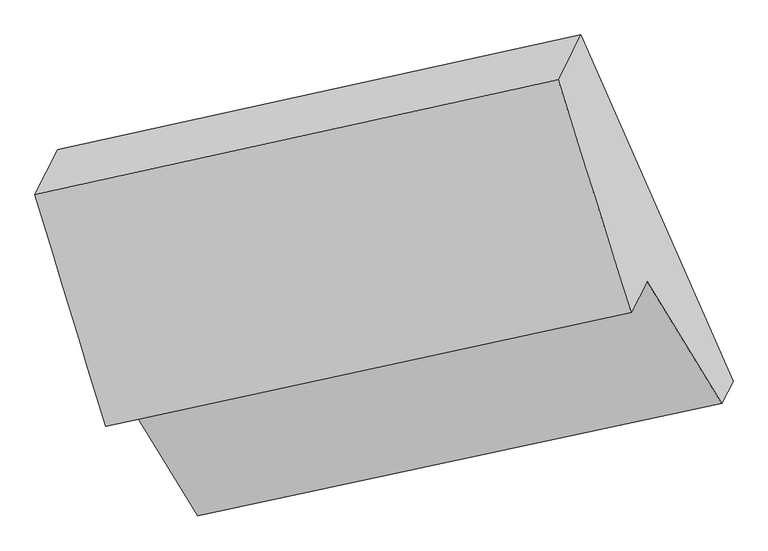
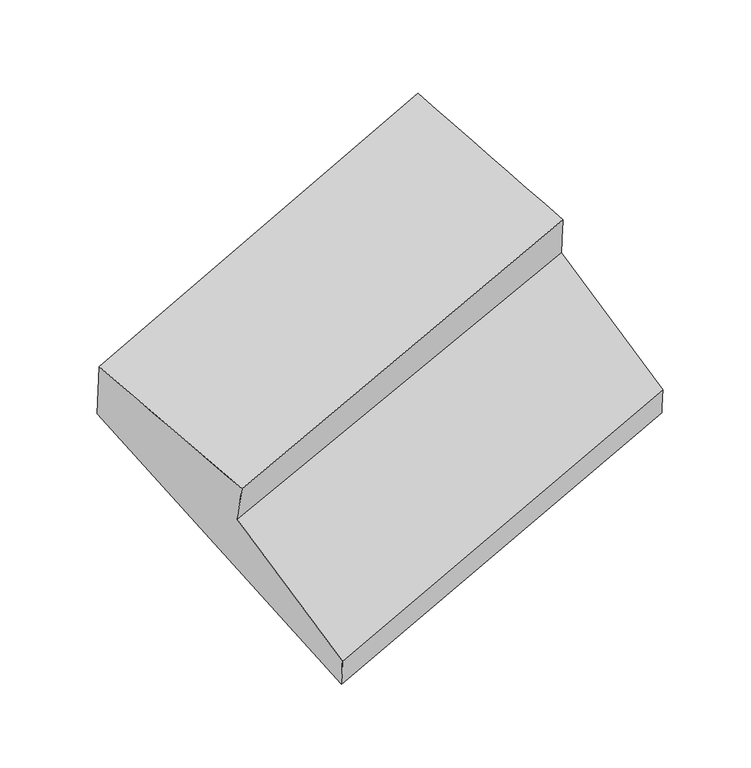
"""IFC4 building model written with IfcOpenShell, lengths in millimetres: proxy geometry."""

from ifc_helpers import new_model, si_unit, frame, origin, place, context, project, spatial, source, transform, mapped, element, save
from ifc_brep_helpers import plane_surface, spline_surface, advanced_brep


def generic_models_8947cf00(model_context):
    return source(origin(), model_context, "Body", "AdvancedBrep", [
        advanced_brep(
        [(-4111.0146555, -1905.3475732, 1652.9056659), (-3743.2069856, -2507.9392731, 869.2598522), (-1250.4377694, -1972.9796662, 1627.8901004), (-1605.5669305, -1391.1595944, 2384.523263), (-4180.2527416, -2081.023664, 2004.2944785), (-1681.4341182, -1540.6623355, 2739.2379849), (-4516.5484522, -978.3807207, 2331.7770168), (-2028.8070637, -431.7564636, 3098.7026075), (-4408.6061351, -765.6712111, 1827.0960057), (-1920.6502209, -218.6242128, 2593.0185876), (-3689.2502496, -2408.4657027, 621.8191087), (-1196.4558398, -1866.6327929, 1375.5197604)],
        [
            (0, 1),
            (1, 2),
            (2, 3),
            (3, 0),
            (4, 0),
            (3, 5),
            (5, 4),
            (6, 4),
            (5, 7),
            (7, 6),
            (8, 6),
            (7, 9),
            (9, 8),
            (10, 8),
            (9, 11),
            (11, 10),
            (1, 10),
            (11, 2),
        ],
        [
            plane_surface(frame((-3927.1108206, -2206.6434232, 1261.082759), z_axis=(-0.013517579044043326, -0.7957113947280432, 0.6055251038204285), x_axis=(0.3487151144306233, -0.5713117228637822, -0.7429674853491601))),
            spline_surface(1, 1, [[(-4180.2527416, -2081.023664, 2004.2944785), (-1681.4341182, -1540.6623355, 2739.2379849)], [(-4111.0146555, -1905.3475732, 1652.9056659), (-1605.5669305, -1391.1595944, 2384.523263)]], [2, 2], [2, 2], [0.0, 1.0], [0.0, 1.0]),
            spline_surface(1, 1, [[(-4516.5484522, -978.3807207, 2331.7770168), (-2028.8070637, -431.7564636, 3098.7026075)], [(-4180.2527416, -2081.023664, 2004.2944785), (-1681.4341182, -1540.6623355, 2739.2379849)]], [2, 2], [2, 2], [0.0, 1.0], [0.0, 1.0]),
            plane_surface(frame((-4462.5772937, -872.0259659, 2079.4365113), z_axis=(-0.29565208462991327, 0.9012941408268416, 0.31663656858485656), x_axis=(-0.19337180434982973, -0.3810555746628166, 0.9041039731695033))),
            spline_surface(1, 1, [[(-3689.2502496, -2408.4657027, 621.8191087), (-1196.4558398, -1866.6327929, 1375.5197604)], [(-4408.6061351, -765.6712111, 1827.0960057), (-1920.6502209, -218.6242128, 2593.0185876)]], [2, 2], [2, 2], [0.0, 1.0], [0.0, 1.0]),
            spline_surface(1, 1, [[(-3743.2069856, -2507.9392731, 869.2598522), (-1250.4377694, -1972.9796662, 1627.8901004)], [(-3689.2502496, -2408.4657027, 621.8191087), (-1196.4558398, -1866.6327929, 1375.5197604)]], [2, 2], [2, 2], [0.0, 1.0], [0.0, 1.0]),
            plane_surface(frame((-1613.8919904, -1236.9691776, 2303.1487173), z_axis=(0.9371312843056864, 0.20111263415899405, 0.28519934143894077), x_axis=(-0.19337180434982973, -0.3810555746628166, 0.9041039731695033))),
            plane_surface(frame((-4108.1465366, -1774.4713575, 1551.1920213), z_axis=(-0.9371312843056858, -0.201112634158954, -0.2851993414389715), x_axis=(-0.3487151144306238, 0.5713117228637821, 0.74296748534916))),
        ],
        [
            (0, [[1, 2, 3, 4]]),
            (1, [[5, -4, 6, 7]]),
            (2, [[8, -7, 9, 10]]),
            (3, [[11, -10, 12, 13]]),
            (4, [[14, -13, 15, 16]]),
            (5, [[17, -16, 18, -2]]),
            (6, [[-12, -9, -6, -3, -18, -15]]),
            (7, [[-1, -5, -8, -11, -14, -17]]),
        ],
    ),
    ])


if __name__ == "__main__":
    model = new_model("IFC4")
    model_context = context("Model", 3, world=origin())
    ifc_project = project(units=[si_unit("LENGTHUNIT", "METRE", prefix="MILLI")], contexts=[model_context])
    site = spatial("IfcSite", under=ifc_project)
    building = spatial("IfcBuilding", under=site)
    placement = place(None, origin())
    generic_models_shape = generic_models_8947cf00(model_context)
    element("IfcBuildingElementProxy", 1, Name="Generic Models", at=placement, inside=building, context=model_context, shape_type="MappedRepresentation", body=[
        mapped(generic_models_shape, transform((0.0, 0.0, 0.0), x_axis=(1.0, 0.0, 0.0), y_axis=(0.0, 1.0, 0.0), z_axis=(0.0, 0.0, 1.0))),
    ])
    save(model, "model.ifc")
